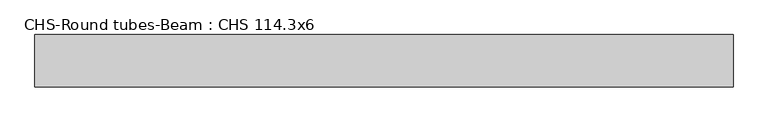
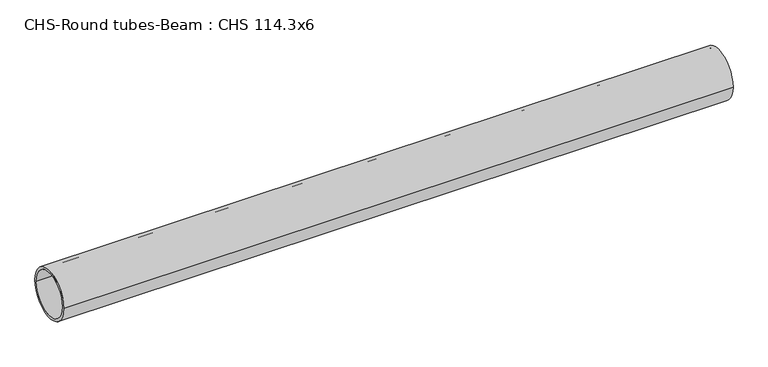
"""IFC4 building model written with IfcOpenShell, lengths in millimetres: beam geometry, CHS-Round tubes-Beam : CHS 114.3x6."""

from ifc_helpers import new_model, si_unit, point, frame, origin, origin_2d, place, context, project, spatial, circle_curve, trimmed, segment, composite_curve, outline, extrude, source, transform, mapped, element, save


def chs_round_tubes_beam_chs_114_3x6_46023825(model_context):
    return source(origin(), model_context, "Body", "SweptSolid", [
        extrude(outline(composite_curve([segment(trimmed(circle_curve(origin_2d(), 57.15), [point((57.15, 0.0))], [point((-57.15, 0.0))], False, "CARTESIAN"), True, "CONTINUOUS"), segment(trimmed(circle_curve(origin_2d(), 57.15), [point((-57.15, 0.0))], [point((57.15, 0.0))], False, "CARTESIAN"), True, "CONTINUOUS")], self_intersect=False), holes=[composite_curve([segment(trimmed(circle_curve(origin_2d(), 51.15), [point((51.15, 0.0))], [point((-51.15, 0.0))], True, "CARTESIAN"), True, "CONTINUOUS"), segment(trimmed(circle_curve(origin_2d(), 51.15), [point((-51.15, 0.0))], [point((51.15, 0.0))], True, "CARTESIAN"), True, "CONTINUOUS")], self_intersect=False)]), frame((-736.3855921, 0.0, 0.0), z_axis=(1.0, 0.0, 0.0), x_axis=(0.0, 1.0, 0.0)), (0.0, 0.0, 1.0), 1529.23571),
    ])


if __name__ == "__main__":
    model = new_model("IFC4")
    model_context = context("Model", 3, world=origin())
    ifc_project = project(units=[si_unit("LENGTHUNIT", "METRE", prefix="MILLI")], contexts=[model_context])
    site = spatial("IfcSite", under=ifc_project)
    building = spatial("IfcBuilding", under=site)
    placement = place(None, origin())
    chs_round_tubes_beam_chs_114_3x6_shape = chs_round_tubes_beam_chs_114_3x6_46023825(model_context)
    element("IfcBeam", 1, ObjectType="CHS-Round tubes-Beam : CHS 114.3x6", at=placement, inside=building, context=model_context, shape_type="MappedRepresentation", body=[
        mapped(chs_round_tubes_beam_chs_114_3x6_shape, transform((0.0, 0.0, 0.0), x_axis=(1.0, 0.0, 0.0), y_axis=(0.0, 1.0, 0.0), z_axis=(0.0, 0.0, 1.0))),
    ])
    save(model, "model.ifc")
